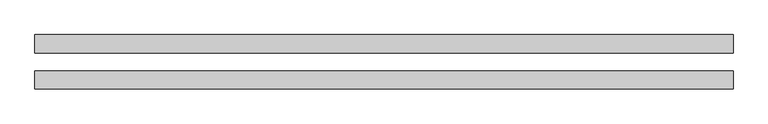
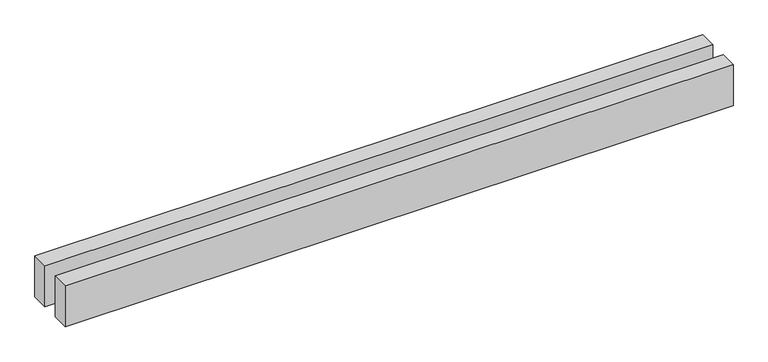
"""IFC4 building model written with IfcOpenShell, lengths in millimetres: proxy geometry."""

import ifcopenshell
import ifcopenshell.guid

model = None  # the IFC model being written
_history = None  # IfcOwnerHistory: only IFC2X3 demands one
_inside = {}  # id of a spatial element -> (the spatial element, [elements in it])
_under = {}  # id of a project, library or spatial element -> (it, [spatial elements below it])
_declared = {}  # id of a project -> (the project, [libraries it declares])
_typed = {}  # id of a type object -> (the type object, [elements of that type])
_made_of = {}  # id of a material, layer set ... -> (it, [elements and type objects made of it])


def new_model(schema):
    """Start an empty IFC model of exactly this schema.

    Asked for "IFC4X3", IfcOpenShell would pick the latest addendum, in which some entities
    have other attributes; the version numbers below select the first issue.
    IFC2X3 requires an IfcOwnerHistory on every rooted entity: one is made here for all.
    """
    global model, _history
    if schema == "IFC4X3":
        model = ifcopenshell.file(schema_version=(4, 3, 0, 0))
    else:
        model = ifcopenshell.file(schema=schema)
    _inside.clear()
    _under.clear()
    _declared.clear()
    _typed.clear()
    _made_of.clear()
    _history = None
    if model.schema == "IFC2X3":
        org = make("IfcOrganization", Name="unknown")
        user = make(
            "IfcPersonAndOrganization",
            ThePerson=make("IfcPerson", FamilyName="unknown"),
            TheOrganization=org,
        )
        app = make(
            "IfcApplication",
            ApplicationDeveloper=org,
            Version="unknown",
            ApplicationFullName="unknown",
            ApplicationIdentifier="unknown",
        )
        _history = make(
            "IfcOwnerHistory",
            OwningUser=user,
            OwningApplication=app,
            ChangeAction="ADDED",
            CreationDate=0,
        )
    return model


def make(cls, **values):
    """One entity of the class cls with the attributes given. An attribute that is None is left unset."""
    return model.create_entity(
        cls, **{name: value for name, value in values.items() if value is not None}
    )


def rooted(cls, **values):
    """An entity with a GlobalId (a new one), such as an element, a storey or a relation."""
    return make(cls, GlobalId=ifcopenshell.guid.new(), OwnerHistory=_history, **values)


def si_unit(unit_type, name, prefix=None):
    """IfcSIUnit, for example si_unit("LENGTHUNIT", "METRE", prefix="MILLI")."""
    return make("IfcSIUnit", UnitType=unit_type, Prefix=prefix, Name=name)


def assignment(units):
    """IfcUnitAssignment: the units of a project."""
    return None if units is None else make("IfcUnitAssignment", Units=units)


def point(xyz):
    """IfcCartesianPoint."""
    return None if xyz is None else make("IfcCartesianPoint", Coordinates=xyz)


def direction(xyz):
    """IfcDirection."""
    return None if xyz is None else make("IfcDirection", DirectionRatios=xyz)


def frame(location, z_axis=None, x_axis=None):
    """IfcAxis2Placement3D, a coordinate frame: its origin and axes. An axis left out is left unset."""
    return make(
        "IfcAxis2Placement3D",
        Location=point(location),
        Axis=direction(z_axis),
        RefDirection=direction(x_axis),
    )


def origin():
    """The frame at (0, 0, 0) with its axes left unset."""
    return frame((0.0, 0.0, 0.0))


def origin_with_axes():
    """The frame at (0, 0, 0) with the z axis (0, 0, 1) and the x axis (1, 0, 0) written out."""
    return frame((0.0, 0.0, 0.0), z_axis=(0.0, 0.0, 1.0), x_axis=(1.0, 0.0, 0.0))


def place(relative_to, where):
    """IfcLocalPlacement: puts the frame where relative to a parent placement (None: the world)."""
    return make(
        "IfcLocalPlacement", PlacementRelTo=relative_to, RelativePlacement=where
    )


def context(
    kind, dimensions, precision=None, world=None, true_north=None, identifier=None
):
    """IfcGeometricRepresentationContext, for example the 3D "Model" context."""
    return make(
        "IfcGeometricRepresentationContext",
        ContextIdentifier=identifier,
        ContextType=kind,
        CoordinateSpaceDimension=dimensions,
        Precision=precision,
        WorldCoordinateSystem=world,
        TrueNorth=true_north,
    )


def project(units=None, contexts=None):
    """IfcProject with its units and contexts."""
    return rooted(
        "IfcProject",
        Name="project",
        RepresentationContexts=contexts,
        UnitsInContext=assignment(units),
    )


def spatial(cls, under=None, at=None, **own):
    """A site, building, storey or space (cls), placed at a placement, below another one or the project."""
    s = rooted(cls, ObjectPlacement=at, **own)
    if under is not None:
        _under.setdefault(under.id(), (under, []))[1].append(s)
    return s


def polyline(points):
    """IfcPolyline through the points."""
    return make("IfcPolyline", Points=[point(p) for p in points])


def outline(outer, holes=None, kind="AREA"):
    """IfcArbitraryClosedProfileDef: a profile drawn as a closed curve; with holes, ...WithVoids."""
    if holes is None:
        return make("IfcArbitraryClosedProfileDef", ProfileType=kind, OuterCurve=outer)
    return make(
        "IfcArbitraryProfileDefWithVoids",
        ProfileType=kind,
        OuterCurve=outer,
        InnerCurves=holes,
    )


def extrude(swept, where, along, depth):
    """IfcExtrudedAreaSolid: the profile swept, set in the frame where, extruded along a direction by depth."""
    return make(
        "IfcExtrudedAreaSolid",
        SweptArea=swept,
        Position=where,
        ExtrudedDirection=direction(along),
        Depth=depth,
    )


def shape(context_of_items, identifier, shape_type, items):
    """IfcShapeRepresentation: the items that make up one representation, for example the "Body"."""
    return make(
        "IfcShapeRepresentation",
        ContextOfItems=context_of_items,
        RepresentationIdentifier=identifier,
        RepresentationType=shape_type,
        Items=items,
    )


def source(mapping_origin, context_of_items, identifier, shape_type, items):
    """IfcRepresentationMap: a shape defined once, which mapped items show again and again."""
    return make(
        "IfcRepresentationMap",
        MappingOrigin=mapping_origin,
        MappedRepresentation=shape(context_of_items, identifier, shape_type, items),
    )


def transform(
    local_origin,
    x_axis=None,
    y_axis=None,
    z_axis=None,
    scale=None,
    scale2=None,
    scale3=None,
    uniform=True,
):
    """IfcCartesianTransformationOperator3D, or its non-uniform kind. x_axis, y_axis, z_axis: its Axis1, 2, 3."""
    if uniform:
        return make(
            "IfcCartesianTransformationOperator3D",
            Axis1=direction(x_axis),
            Axis2=direction(y_axis),
            LocalOrigin=point(local_origin),
            Scale=scale,
            Axis3=direction(z_axis),
        )
    return make(
        "IfcCartesianTransformationOperator3DnonUniform",
        Axis1=direction(x_axis),
        Axis2=direction(y_axis),
        LocalOrigin=point(local_origin),
        Scale=scale,
        Axis3=direction(z_axis),
        Scale2=scale2,
        Scale3=scale3,
    )


def mapped(mapping_source, mapping_target):
    """IfcMappedItem: shows the shape of a source again, moved by a transform."""
    return make(
        "IfcMappedItem", MappingSource=mapping_source, MappingTarget=mapping_target
    )


def made_of(thing, what):
    """Note that an element or type object is made of a material, layer set ...; save() writes the relation."""
    if what is not None:
        _made_of.setdefault(what.id(), (what, []))[1].append(thing)
    return thing


def element(
    cls,
    number,
    at=None,
    inside=None,
    cuts=None,
    type_object=None,
    material=None,
    context=None,
    identifier="Body",
    shape_type=None,
    held_by="IfcProductDefinitionShape",
    body=None,
    shapes=None,
    **own,
):
    """One element of the class cls, such as IfcWall. Its Tag is "e" and its number.

    at: its placement. inside: the storey or other place that contains it. cuts: it is an
    opening in that element (IfcRelVoidsElement). A single representation is given by context,
    identifier, shape_type and body (its items); several are given by shapes. held_by: the class
    of the entity that holds the representations. save() writes the other relations.
    """
    e = rooted(cls, Tag="e%d" % number, ObjectPlacement=at, **own)
    if body is not None:
        shapes = [shape(context, identifier, shape_type, body)]
    if shapes is not None:
        e.Representation = make(held_by, Representations=shapes)
    if inside is not None:
        _inside.setdefault(inside.id(), (inside, []))[1].append(e)
    if cuts is not None:
        rooted(
            "IfcRelVoidsElement", RelatingBuildingElement=cuts, RelatedOpeningElement=e
        )
    if type_object is not None:
        _typed.setdefault(type_object.id(), (type_object, []))[1].append(e)
    return made_of(e, material)


def aggregate(whole, parts):
    """IfcRelAggregates: a whole, such as a stair, and the parts it consists of."""
    return rooted("IfcRelAggregates", RelatingObject=whole, RelatedObjects=parts)


def save(model, path):
    """Write the relations noted so far, then the file.

    IfcRelAggregates (storeys below a building ...), IfcRelContainedInSpatialStructure (elements
    in a storey), IfcRelDefinesByType, IfcRelAssociatesMaterial and IfcRelDeclares: one each for
    every whole, place, type object, material and project.
    """
    for whole, parts in _under.values():
        aggregate(whole, parts)
    for where, things in _inside.values():
        rooted(
            "IfcRelContainedInSpatialStructure",
            RelatedElements=things,
            RelatingStructure=where,
        )
    for kind, things in _typed.values():
        rooted("IfcRelDefinesByType", RelatedObjects=things, RelatingType=kind)
    for what, things in _made_of.values():
        rooted("IfcRelAssociatesMaterial", RelatedObjects=things, RelatingMaterial=what)
    for by, libraries in _declared.values():
        rooted("IfcRelDeclares", RelatingContext=by, RelatedDefinitions=libraries)
    model.write(path)


def generic_models_0ebc2b48(model_context):
    return source(origin(), model_context, "Body", "SweptSolid", [
        extrude(outline(polyline([(7678.3543406, 300.0), (7678.3543406, 100.0), (0.0, 100.0), (0.0, 300.0), (7678.3543406, 300.0)])), origin_with_axes(), (0.0, 0.0, 1.0), 500.0),
        extrude(outline(polyline([(7678.3543406, -100.0), (7678.3543406, -300.0), (0.0, -300.0), (0.0, -100.0), (7678.3543406, -100.0)])), origin_with_axes(), (0.0, 0.0, 1.0), 500.0),
    ])


if __name__ == "__main__":
    model = new_model("IFC4")
    model_context = context("Model", 3, world=origin())
    ifc_project = project(units=[si_unit("LENGTHUNIT", "METRE", prefix="MILLI")], contexts=[model_context])
    site = spatial("IfcSite", under=ifc_project)
    building = spatial("IfcBuilding", under=site)
    placement = place(None, origin())
    generic_models_shape = generic_models_0ebc2b48(model_context)
    element("IfcBuildingElementProxy", 1, Name="Generic Models", at=placement, inside=building, context=model_context, shape_type="MappedRepresentation", body=[
        mapped(generic_models_shape, transform((0.0, 0.0, 0.0), x_axis=(1.0, 0.0, 0.0), y_axis=(0.0, 1.0, 0.0), z_axis=(0.0, 0.0, 1.0))),
    ])
    save(model, "model.ifc")
